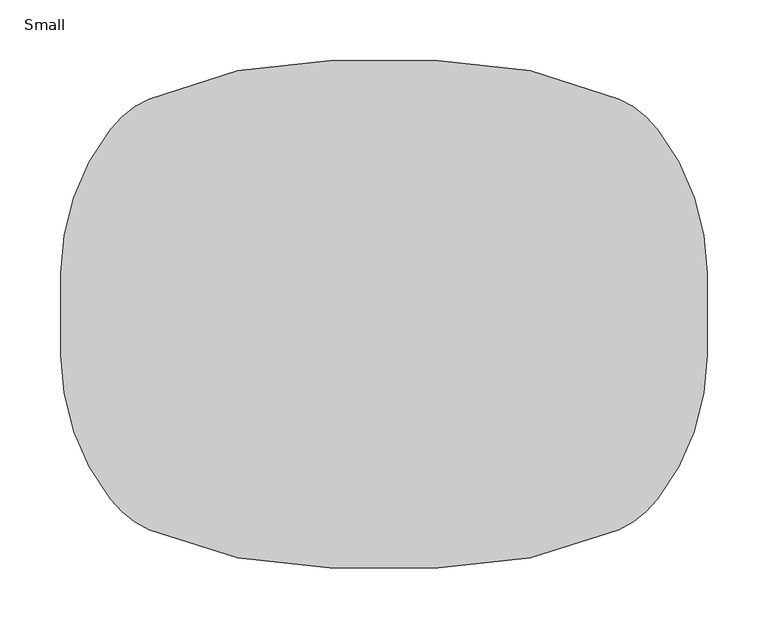
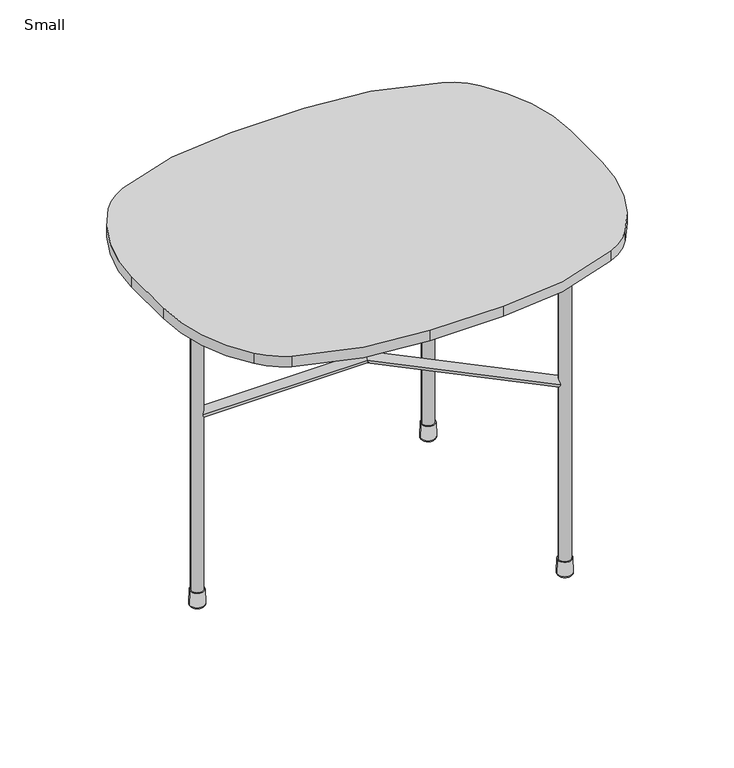
"""IFC4 building model written with IfcOpenShell, lengths in millimetres: furniture geometry, Small."""

from ifc_helpers import new_model, si_unit, point, frame, frame_2d, origin, place, context, project, spatial, polyline, circle_curve, ellipse_curve, trimmed, segment, composite_curve, outline, extrude, source, transform, mapped, element, save
from ifc_brep_helpers import plane_surface, revolved_surface, advanced_brep


def small_169142f4(model_context):
    return source(origin(), model_context, "Body", "SolidModel", [
        extrude(outline(composite_curve([segment(trimmed(circle_curve(frame_2d((-316.6839083, 187.1309789)), 366.6488309), [point((-316.6839083, 553.7798098))], [point((-168.6526689, 522.5681822))], False, "CARTESIAN"), True, "CONTINUOUS"), segment(trimmed(circle_curve(frame_2d((-201.981505, 447.0453964)), 82.55), [point((-168.6526689, 522.5681822))], [point((-136.7877839, 497.6841289))], False, "CARTESIAN"), True, "CONTINUOUS"), segment(trimmed(circle_curve(frame_2d((-289.4852659, 379.0775084)), 193.3495576), [point((-136.7877839, 497.6841289))], [point((-96.1357083, 379.0775084))], False, "CARTESIAN"), True, "CONTINUOUS"), segment(polyline([(-96.1357083, 379.0775084), (-96.1357083, 312.5063113)]), True, "CONTINUOUS"), segment(trimmed(circle_curve(frame_2d((-289.4852659, 312.5063113)), 193.3495576), [point((-96.1357083, 312.5063113))], [point((-136.7877839, 193.8996908))], False, "CARTESIAN"), True, "CONTINUOUS"), segment(trimmed(circle_curve(frame_2d((-201.981505, 244.5384233)), 82.55), [point((-136.7877839, 193.8996908))], [point((-168.6526689, 169.0156374))], False, "CARTESIAN"), True, "CONTINUOUS"), segment(trimmed(circle_curve(frame_2d((-316.6839083, 504.4528408)), 366.6488309), [point((-168.6526689, 169.0156374))], [point((-316.6839083, 137.8040098))], False, "CARTESIAN"), True, "CONTINUOUS"), segment(polyline([(-316.6839083, 137.8040098), (-405.5839083, 137.8040098)]), True, "CONTINUOUS"), segment(trimmed(circle_curve(frame_2d((-405.5839083, 504.4528408)), 366.6488309), [point((-405.5839083, 137.8040098))], [point((-553.6151477, 169.0156374))], False, "CARTESIAN"), True, "CONTINUOUS"), segment(trimmed(circle_curve(frame_2d((-520.2863115, 244.5384233)), 82.55), [point((-553.6151477, 169.0156374))], [point((-585.4800326, 193.8996908))], False, "CARTESIAN"), True, "CONTINUOUS"), segment(trimmed(circle_curve(frame_2d((-432.7825506, 312.5063113)), 193.3495576), [point((-585.4800326, 193.8996908))], [point((-626.1321083, 312.5063113))], False, "CARTESIAN"), True, "CONTINUOUS"), segment(polyline([(-626.1321083, 312.5063113), (-626.1321083, 379.0775084)]), True, "CONTINUOUS"), segment(trimmed(circle_curve(frame_2d((-432.7825506, 379.0775084)), 193.3495576), [point((-626.1321083, 379.0775084))], [point((-585.4800326, 497.6841289))], False, "CARTESIAN"), True, "CONTINUOUS"), segment(trimmed(circle_curve(frame_2d((-520.2863115, 447.0453964)), 82.55), [point((-585.4800326, 497.6841289))], [point((-553.6151477, 522.5681822))], False, "CARTESIAN"), True, "CONTINUOUS"), segment(trimmed(circle_curve(frame_2d((-405.5839083, 187.1309789)), 366.6488309), [point((-553.6151477, 522.5681822))], [point((-405.5839083, 553.7798098))], False, "CARTESIAN"), True, "CONTINUOUS"), segment(polyline([(-405.5839083, 553.7798098), (-316.6839083, 553.7798098)]), True, "CONTINUOUS")], self_intersect=False)), frame((0.0, 0.0, 406.9110413), z_axis=(0.0, 0.0, 1.0), x_axis=(1.0, 0.0, 0.0)), (0.0, 0.0, 1.0), 13.1989746),
        extrude(outline(composite_curve([segment(trimmed(circle_curve(frame_2d((0.0, -6.096)), 6.096), [point((0.0, -12.192))], [point((0.0, 0.0))], False, "CARTESIAN"), True, "CONTINUOUS"), segment(trimmed(circle_curve(frame_2d((0.0, -6.096)), 6.096), [point((0.0, 0.0))], [point((0.0, -12.192))], False, "CARTESIAN"), True, "CONTINUOUS")], self_intersect=False)), frame((-208.9079996, 198.391804, 244.6223459), z_axis=(-0.7381174638947992, 0.6746722237453607, 0.0), x_axis=(0.0, 0.0, -1.0)), (0.0, 0.0, 1.0), 211.3975454),
        extrude(outline(composite_curve([segment(trimmed(circle_curve(frame_2d((0.0, -6.096)), 6.096), [point((0.0, -12.1920001))], [point((0.0, 0.0))], False, "CARTESIAN"), True, "CONTINUOUS"), segment(trimmed(circle_curve(frame_2d((0.0, -6.096)), 6.096), [point((0.0, 0.0))], [point((0.0, -12.1920001))], False, "CARTESIAN"), True, "CONTINUOUS")], self_intersect=False)), frame((-364.1928382, 351.2547598, 244.6223459), z_axis=(0.7381174638948057, 0.6746722237453535, 0.0), x_axis=(0.0, 0.0, -1.0)), (0.0, 0.0, 1.0), 210.3795753),
        extrude(outline(composite_curve([segment(trimmed(circle_curve(frame_2d((345.7919098, 244.6223459)), 6.096), [point((339.6959098, 244.6223459))], [point((351.8879098, 244.6223459))], False, "CARTESIAN"), True, "CONTINUOUS"), segment(trimmed(circle_curve(frame_2d((345.7919098, 244.6223459)), 6.096), [point((351.8879098, 244.6223459))], [point((339.6959098, 244.6223459))], False, "CARTESIAN"), True, "CONTINUOUS")], self_intersect=False)), frame((-565.9344764, 0.0, 0.0), z_axis=(1.0, 0.0, 0.0), x_axis=(0.0, 1.0, 0.0)), (0.0, 0.0, 1.0), 204.8005682),
        extrude(outline(composite_curve([segment(trimmed(circle_curve(frame_2d((-565.9344764, 345.7919098)), 20.2041223), [point((-586.1385987, 345.7919098))], [point((-545.7303541, 345.7919098))], False, "CARTESIAN"), True, "CONTINUOUS"), segment(trimmed(circle_curve(frame_2d((-565.9344764, 345.7919098)), 20.2041223), [point((-545.7303541, 345.7919098))], [point((-586.1385987, 345.7919098))], False, "CARTESIAN"), True, "CONTINUOUS")], self_intersect=False)), frame((0.0, 0.0, 405.0949097), z_axis=(0.0, 0.0, 1.0), x_axis=(1.0, 0.0, 0.0)), (0.0, 0.0, 1.0), 1.8161316),
        extrude(outline(composite_curve([segment(trimmed(circle_curve(frame_2d((-204.7073036, 488.7727908)), 20.2041223), [point((-224.9114259, 488.7727908))], [point((-184.5031813, 488.7727908))], False, "CARTESIAN"), True, "CONTINUOUS"), segment(trimmed(circle_curve(frame_2d((-204.7073036, 488.7727908)), 20.2041223), [point((-184.5031813, 488.7727908))], [point((-224.9114259, 488.7727908))], False, "CARTESIAN"), True, "CONTINUOUS")], self_intersect=False)), frame((0.0, 0.0, 405.0949097), z_axis=(0.0, 0.0, 1.0), x_axis=(1.0, 0.0, 0.0)), (0.0, 0.0, 1.0), 1.8161316),
        extrude(outline(composite_curve([segment(trimmed(circle_curve(frame_2d((-204.7073036, 202.8110289)), 20.2041223), [point((-224.9114259, 202.8110289))], [point((-184.5031813, 202.8110289))], False, "CARTESIAN"), True, "CONTINUOUS"), segment(trimmed(circle_curve(frame_2d((-204.7073036, 202.8110289)), 20.2041223), [point((-184.5031813, 202.8110289))], [point((-224.9114259, 202.8110289))], False, "CARTESIAN"), True, "CONTINUOUS")], self_intersect=False)), frame((0.0, 0.0, 405.0949097), z_axis=(0.0, 0.0, 1.0), x_axis=(1.0, 0.0, 0.0)), (0.0, 0.0, 1.0), 1.8161316),
        advanced_brep(
        [(-213.6814193, 488.7727908, 2.6126435), (-195.7331879, 488.7727908, 2.6126435), (-196.232344, 488.7727908, 20.0586395), (-213.1822632, 488.7727908, 20.0586395), (-211.1424583, 488.7727908, 0.0), (-198.2721488, 488.7727908, 0.0), (-204.7073036, 488.7727908, 0.0), (-204.7073036, 488.7727908, 20.0586395)],
        [
            (0, 1, circle_curve(frame((-204.7073036, 488.7727908, 2.6126435), z_axis=(0.0, 0.0, 1.0), x_axis=(1.0, 0.0, 0.0)), 8.9741157)),
            (1, 2),
            (2, 3, circle_curve(frame((-204.7073036, 488.7727908, 20.0586395), z_axis=(0.0, 0.0, -1.0), x_axis=(1.0, 0.0, 0.0)), 8.4749596)),
            (3, 0),
            (1, 0, circle_curve(frame((-204.7073036, 488.7727908, 2.6126435), z_axis=(0.0, 0.0, 1.0), x_axis=(1.0, 0.0, 0.0)), 8.9741157)),
            (3, 2, circle_curve(frame((-204.7073036, 488.7727908, 20.0586395), z_axis=(0.0, 0.0, -1.0), x_axis=(1.0, 0.0, 0.0)), 8.4749596)),
            (4, 5, circle_curve(frame((-204.7073036, 488.7727908, 0.0), z_axis=(0.0, 0.0, 1.0), x_axis=(1.0, 0.0, 0.0)), 6.4351547)),
            (5, 1, circle_curve(frame((-198.2721488, 488.7727908, 2.54), z_axis=(0.0, -1.0, 0.0), x_axis=(-1.0, 0.0, 0.0)), 2.54)),
            (0, 4, circle_curve(frame((-211.1424583, 488.7727908, 2.54), z_axis=(0.0, -1.0, 0.0), x_axis=(1.0, 0.0, 0.0)), 2.54)),
            (5, 4, circle_curve(frame((-204.7073036, 488.7727908, 0.0), z_axis=(0.0, 0.0, 1.0), x_axis=(1.0, 0.0, 0.0)), 6.4351547)),
            (6, 5),
            (4, 6),
            (2, 7),
            (7, 3),
        ],
        [
            revolved_surface(polyline([(-196.232344, 488.7727908, 20.0586395), (-195.7331879, 488.7727908, 2.6126435)]), (-204.7073036, 488.7727908, -3.411694), (0.0, 0.0, -1.0)),
            revolved_surface(trimmed(ellipse_curve(frame((-198.2721488, 488.7727908, 2.54), z_axis=(0.0, 1.0, 0.0), x_axis=(-1.0, 0.0, 0.0)), 2.54, 2.54), [point((-195.7331879, 488.7727908, 2.6126435))], [point((-198.2721488, 488.7727908, 0.0))], True, "CARTESIAN"), (-204.7073036, 488.7727908, -3.411694), (0.0, 0.0, -1.0)),
            plane_surface(frame((-204.7073036, 488.7727908, 0.0), z_axis=(0.0, 0.0, -1.0), x_axis=(1.0, 0.0, 0.0))),
            plane_surface(frame((-204.7073036, 488.7727908, 20.0586395), z_axis=(0.0, 0.0, 1.0), x_axis=(1.0, 0.0, 0.0))),
        ],
        [
            (0, [[1, 2, 3, 4]]),
            (0, [[5, -4, 6, -2]]),
            (1, [[7, 8, -1, 9]]),
            (1, [[10, -9, -5, -8]]),
            (2, [[11, -7, 12]]),
            (2, [[-12, -10, -11]]),
            (3, [[-3, 13, 14]]),
            (3, [[-6, -14, -13]]),
        ],
    ),
        advanced_brep(
        [(-213.6814193, 202.8110289, 2.6126435), (-195.7331879, 202.8110289, 2.6126435), (-196.232344, 202.8110289, 20.0586395), (-213.1822632, 202.8110289, 20.0586395), (-211.1424583, 202.8110289, 0.0), (-198.2721488, 202.8110289, 0.0), (-204.7073036, 202.8110289, 0.0), (-204.7073036, 202.8110289, 20.0586395)],
        [
            (0, 1, circle_curve(frame((-204.7073036, 202.8110289, 2.6126435), z_axis=(0.0, 0.0, 1.0), x_axis=(1.0, 0.0, 0.0)), 8.9741157)),
            (1, 2),
            (2, 3, circle_curve(frame((-204.7073036, 202.8110289, 20.0586395), z_axis=(0.0, 0.0, -1.0), x_axis=(1.0, 0.0, 0.0)), 8.4749596)),
            (3, 0),
            (1, 0, circle_curve(frame((-204.7073036, 202.8110289, 2.6126435), z_axis=(0.0, 0.0, 1.0), x_axis=(1.0, 0.0, 0.0)), 8.9741157)),
            (3, 2, circle_curve(frame((-204.7073036, 202.8110289, 20.0586395), z_axis=(0.0, 0.0, -1.0), x_axis=(1.0, 0.0, 0.0)), 8.4749596)),
            (4, 5, circle_curve(frame((-204.7073036, 202.8110289, 0.0), z_axis=(0.0, 0.0, 1.0), x_axis=(1.0, 0.0, 0.0)), 6.4351547)),
            (5, 1, circle_curve(frame((-198.2721488, 202.8110289, 2.54), z_axis=(0.0, -1.0, 0.0), x_axis=(-1.0, 0.0, 0.0)), 2.54)),
            (0, 4, circle_curve(frame((-211.1424583, 202.8110289, 2.54), z_axis=(0.0, -1.0, 0.0), x_axis=(1.0, 0.0, 0.0)), 2.54)),
            (5, 4, circle_curve(frame((-204.7073036, 202.8110289, 0.0), z_axis=(0.0, 0.0, 1.0), x_axis=(1.0, 0.0, 0.0)), 6.4351547)),
            (6, 5),
            (4, 6),
            (2, 7),
            (7, 3),
        ],
        [
            revolved_surface(polyline([(-196.232344, 202.8110289, 20.0586395), (-195.7331879, 202.8110289, 2.6126435)]), (-204.7073036, 202.8110289, -3.411694), (0.0, 0.0, -1.0)),
            revolved_surface(trimmed(ellipse_curve(frame((-198.2721488, 202.8110289, 2.54), z_axis=(0.0, 1.0, 0.0), x_axis=(-1.0, 0.0, 0.0)), 2.54, 2.54), [point((-195.7331879, 202.8110289, 2.6126435))], [point((-198.2721488, 202.8110289, 0.0))], True, "CARTESIAN"), (-204.7073036, 202.8110289, -3.411694), (0.0, 0.0, -1.0)),
            plane_surface(frame((-204.7073036, 202.8110289, 0.0), z_axis=(0.0, 0.0, -1.0), x_axis=(1.0, 0.0, 0.0))),
            plane_surface(frame((-204.7073036, 202.8110289, 20.0586395), z_axis=(0.0, 0.0, 1.0), x_axis=(1.0, 0.0, 0.0))),
        ],
        [
            (0, [[1, 2, 3, 4]]),
            (0, [[5, -4, 6, -2]]),
            (1, [[7, 8, -1, 9]]),
            (1, [[10, -9, -5, -8]]),
            (2, [[11, -7, 12]]),
            (2, [[-12, -10, -11]]),
            (3, [[-3, 13, 14]]),
            (3, [[-6, -14, -13]]),
        ],
    ),
        advanced_brep(
        [(-574.9085922, 345.7919098, 2.6126435), (-556.9603607, 345.7919098, 2.6126435), (-557.4595168, 345.7919098, 20.0586395), (-574.4094361, 345.7919098, 20.0586395), (-572.3696312, 345.7919098, 0.0), (-559.4993217, 345.7919098, 0.0), (-565.9344764, 345.7919098, 0.0), (-565.9344764, 345.7919098, 20.0586395)],
        [
            (0, 1, circle_curve(frame((-565.9344764, 345.7919098, 2.6126435), z_axis=(0.0, 0.0, 1.0), x_axis=(1.0, 0.0, 0.0)), 8.9741157)),
            (1, 2),
            (2, 3, circle_curve(frame((-565.9344764, 345.7919098, 20.0586395), z_axis=(0.0, 0.0, -1.0), x_axis=(1.0, 0.0, 0.0)), 8.4749596)),
            (3, 0),
            (1, 0, circle_curve(frame((-565.9344764, 345.7919098, 2.6126435), z_axis=(0.0, 0.0, 1.0), x_axis=(1.0, 0.0, 0.0)), 8.9741157)),
            (3, 2, circle_curve(frame((-565.9344764, 345.7919098, 20.0586395), z_axis=(0.0, 0.0, -1.0), x_axis=(1.0, 0.0, 0.0)), 8.4749596)),
            (4, 5, circle_curve(frame((-565.9344764, 345.7919098, 0.0), z_axis=(0.0, 0.0, 1.0), x_axis=(1.0, 0.0, 0.0)), 6.4351547)),
            (5, 1, circle_curve(frame((-559.4993217, 345.7919098, 2.54), z_axis=(0.0, -1.0, 0.0), x_axis=(-1.0, 0.0, 0.0)), 2.54)),
            (0, 4, circle_curve(frame((-572.3696312, 345.7919098, 2.54), z_axis=(0.0, -1.0, 0.0), x_axis=(1.0, 0.0, 0.0)), 2.54)),
            (5, 4, circle_curve(frame((-565.9344764, 345.7919098, 0.0), z_axis=(0.0, 0.0, 1.0), x_axis=(1.0, 0.0, 0.0)), 6.4351547)),
            (6, 5),
            (4, 6),
            (2, 7),
            (7, 3),
        ],
        [
            revolved_surface(polyline([(-557.4595168, 345.7919098, 20.0586395), (-556.9603607, 345.7919098, 2.6126435)]), (-565.9344764, 345.7919098, -3.411694), (0.0, 0.0, -1.0)),
            revolved_surface(trimmed(ellipse_curve(frame((-559.4993217, 345.7919098, 2.54), z_axis=(0.0, 1.0, 0.0), x_axis=(-1.0, 0.0, 0.0)), 2.54, 2.54), [point((-556.9603607, 345.7919098, 2.6126435))], [point((-559.4993217, 345.7919098, 0.0))], True, "CARTESIAN"), (-565.9344764, 345.7919098, -3.411694), (0.0, 0.0, -1.0)),
            plane_surface(frame((-565.9344764, 345.7919098, 0.0), z_axis=(0.0, 0.0, -1.0), x_axis=(1.0, 0.0, 0.0))),
            plane_surface(frame((-565.9344764, 345.7919098, 20.0586395), z_axis=(0.0, 0.0, 1.0), x_axis=(1.0, 0.0, 0.0))),
        ],
        [
            (0, [[1, 2, 3, 4]]),
            (0, [[5, -4, 6, -2]]),
            (1, [[7, 8, -1, 9]]),
            (1, [[10, -9, -5, -8]]),
            (2, [[11, -7, 12]]),
            (2, [[-12, -10, -11]]),
            (3, [[-3, 13, 14]]),
            (3, [[-6, -14, -13]]),
        ],
    ),
        extrude(outline(composite_curve([segment(trimmed(circle_curve(frame_2d((-204.7073036, 488.7727908)), 7.1082153), [point((-211.8155189, 488.7727908))], [point((-197.5990883, 488.7727908))], False, "CARTESIAN"), True, "CONTINUOUS"), segment(trimmed(circle_curve(frame_2d((-204.7073036, 488.7727908)), 7.1082153), [point((-197.5990883, 488.7727908))], [point((-211.8155189, 488.7727908))], False, "CARTESIAN"), True, "CONTINUOUS")], self_intersect=False)), frame((0.0, 0.0, 7.6085052), z_axis=(0.0, 0.0, 1.0), x_axis=(1.0, 0.0, 0.0)), (0.0, 0.0, 1.0), 397.4864044),
        extrude(outline(composite_curve([segment(trimmed(circle_curve(frame_2d((-204.7073036, 202.8110289)), 7.1082153), [point((-211.8155189, 202.8110289))], [point((-197.5990883, 202.8110289))], False, "CARTESIAN"), True, "CONTINUOUS"), segment(trimmed(circle_curve(frame_2d((-204.7073036, 202.8110289)), 7.1082153), [point((-197.5990883, 202.8110289))], [point((-211.8155189, 202.8110289))], False, "CARTESIAN"), True, "CONTINUOUS")], self_intersect=False)), frame((0.0, 0.0, 7.6085052), z_axis=(0.0, 0.0, 1.0), x_axis=(1.0, 0.0, 0.0)), (0.0, 0.0, 1.0), 397.4864044),
        extrude(outline(composite_curve([segment(trimmed(circle_curve(frame_2d((-565.9344764, 345.7919098)), 7.1082153), [point((-573.0426918, 345.7919098))], [point((-558.8262611, 345.7919098))], False, "CARTESIAN"), True, "CONTINUOUS"), segment(trimmed(circle_curve(frame_2d((-565.9344764, 345.7919098)), 7.1082153), [point((-558.8262611, 345.7919098))], [point((-573.0426918, 345.7919098))], False, "CARTESIAN"), True, "CONTINUOUS")], self_intersect=False)), frame((0.0, 0.0, 7.6085052), z_axis=(0.0, 0.0, 1.0), x_axis=(1.0, 0.0, 0.0)), (0.0, 0.0, 1.0), 397.4864044),
    ])


if __name__ == "__main__":
    model = new_model("IFC4")
    model_context = context("Model", 3, world=origin())
    ifc_project = project(units=[si_unit("LENGTHUNIT", "METRE", prefix="MILLI")], contexts=[model_context])
    site = spatial("IfcSite", under=ifc_project)
    building = spatial("IfcBuilding", under=site)
    placement = place(None, origin())
    small_shape = small_169142f4(model_context)
    element("IfcFurniture", 1, ObjectType="Small", at=placement, inside=building, context=model_context, shape_type="MappedRepresentation", body=[
        mapped(small_shape, transform((0.0, 0.0, 0.0), x_axis=(1.0, 0.0, 0.0), y_axis=(0.0, 1.0, 0.0), z_axis=(0.0, 0.0, 1.0))),
    ])
    save(model, "model.ifc")
